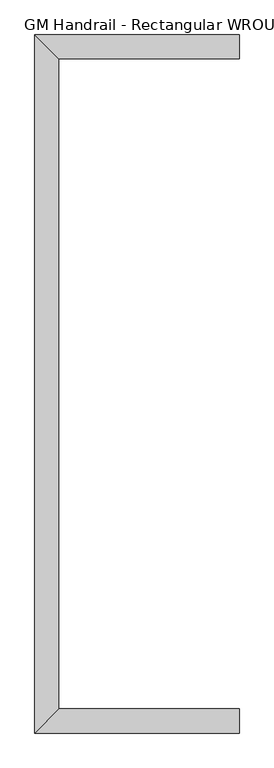
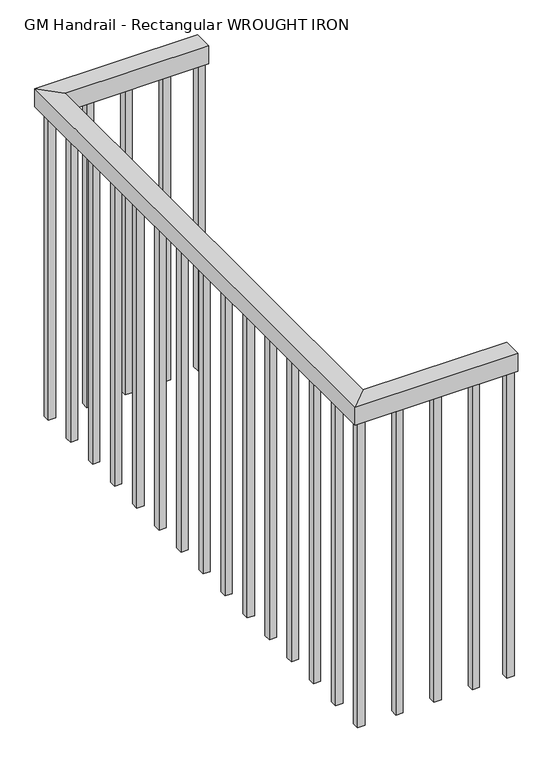
"""IFC4 building model written with IfcOpenShell, lengths in millimetres: railing geometry, GM Handrail - Rectangular WROUGHT IRON."""

from ifc_helpers import new_model, si_unit, frame, origin, place, context, project, spatial, polyline, outline, extrude, faceted_brep, source, transform, mapped, element, save


def gm_handrail_rectangular_wrought_iron_63d7bb6a(model_context):
    return source(origin(), model_context, "Body", "SolidModel", [
        faceted_brep([(-8651.9178132, -2223.0968627, 3937.0), (-8651.9178132, -2273.8968627, 3937.0), (-8651.9178132, -2273.8968627, 3886.2), (-8651.9178132, -2223.0968627, 3886.2), (-9083.7178132, -2223.0968627, 3937.0), (-9032.9178132, -2273.8968627, 3937.0), (-9032.9178132, -2273.8968627, 3886.2), (-9083.7178132, -2223.0968627, 3886.2), (-9083.7178132, -3696.2968627, 3937.0), (-9032.9178132, -3645.4968627, 3937.0), (-9032.9178132, -3645.4968627, 3886.2), (-9083.7178132, -3696.2968627, 3886.2), (-8651.9178132, -3696.2968627, 3937.0), (-8651.9178132, -3696.2968627, 3886.2), (-8651.9178132, -3645.4968627, 3886.2), (-8651.9178132, -3645.4968627, 3937.0)], [[[0, 1, 2, 3]], [[1, 0, 4, 5]], [[2, 1, 5, 6]], [[3, 2, 6, 7]], [[0, 3, 7, 4]], [[5, 4, 8, 9]], [[6, 5, 9, 10]], [[7, 6, 10, 11]], [[4, 7, 11, 8]], [[12, 13, 14, 15]], [[9, 8, 12, 15]], [[10, 9, 15, 14]], [[11, 10, 14, 13]], [[8, 11, 13, 12]]]),
        extrude(outline(polyline([(-8763.0428132, -3680.4218627), (-8763.0428132, -3661.3718627), (-8743.9928132, -3661.3718627), (-8743.9928132, -3680.4218627), (-8763.0428132, -3680.4218627)])), frame((0.0, 0.0, 3022.6), z_axis=(0.0, 0.0, 1.0), x_axis=(1.0, 0.0, 0.0)), (0.0, 0.0, 1.0), 863.6),
        extrude(outline(polyline([(-8864.6428132, -3680.4218627), (-8864.6428132, -3661.3718627), (-8845.5928132, -3661.3718627), (-8845.5928132, -3680.4218627), (-8864.6428132, -3680.4218627)])), frame((0.0, 0.0, 3022.6), z_axis=(0.0, 0.0, 1.0), x_axis=(1.0, 0.0, 0.0)), (0.0, 0.0, 1.0), 863.6),
        extrude(outline(polyline([(-8966.2428132, -3680.4218627), (-8966.2428132, -3661.3718627), (-8947.1928132, -3661.3718627), (-8947.1928132, -3680.4218627), (-8966.2428132, -3680.4218627)])), frame((0.0, 0.0, 3022.6), z_axis=(0.0, 0.0, 1.0), x_axis=(1.0, 0.0, 0.0)), (0.0, 0.0, 1.0), 863.6),
        extrude(outline(polyline([(-9067.8428132, -3559.7718627), (-9048.7928132, -3559.7718627), (-9048.7928132, -3578.8218627), (-9067.8428132, -3578.8218627), (-9067.8428132, -3559.7718627)])), frame((0.0, 0.0, 3022.6), z_axis=(0.0, 0.0, 1.0), x_axis=(1.0, 0.0, 0.0)), (0.0, 0.0, 1.0), 863.6),
        extrude(outline(polyline([(-9067.8428132, -3458.1718627), (-9048.7928132, -3458.1718627), (-9048.7928132, -3477.2218627), (-9067.8428132, -3477.2218627), (-9067.8428132, -3458.1718627)])), frame((0.0, 0.0, 3022.6), z_axis=(0.0, 0.0, 1.0), x_axis=(1.0, 0.0, 0.0)), (0.0, 0.0, 1.0), 863.6),
        extrude(outline(polyline([(-9067.8428132, -3356.5718627), (-9048.7928132, -3356.5718627), (-9048.7928132, -3375.6218627), (-9067.8428132, -3375.6218627), (-9067.8428132, -3356.5718627)])), frame((0.0, 0.0, 3022.6), z_axis=(0.0, 0.0, 1.0), x_axis=(1.0, 0.0, 0.0)), (0.0, 0.0, 1.0), 863.6),
        extrude(outline(polyline([(-9067.8428132, -3254.9718627), (-9048.7928132, -3254.9718627), (-9048.7928132, -3274.0218627), (-9067.8428132, -3274.0218627), (-9067.8428132, -3254.9718627)])), frame((0.0, 0.0, 3022.6), z_axis=(0.0, 0.0, 1.0), x_axis=(1.0, 0.0, 0.0)), (0.0, 0.0, 1.0), 863.6),
        extrude(outline(polyline([(-9067.8428132, -3153.3718627), (-9048.7928132, -3153.3718627), (-9048.7928132, -3172.4218627), (-9067.8428132, -3172.4218627), (-9067.8428132, -3153.3718627)])), frame((0.0, 0.0, 3022.6), z_axis=(0.0, 0.0, 1.0), x_axis=(1.0, 0.0, 0.0)), (0.0, 0.0, 1.0), 863.6),
        extrude(outline(polyline([(-9067.8428132, -3051.7718627), (-9048.7928132, -3051.7718627), (-9048.7928132, -3070.8218627), (-9067.8428132, -3070.8218627), (-9067.8428132, -3051.7718627)])), frame((0.0, 0.0, 3022.6), z_axis=(0.0, 0.0, 1.0), x_axis=(1.0, 0.0, 0.0)), (0.0, 0.0, 1.0), 863.6),
        extrude(outline(polyline([(-9067.8428132, -2950.1718627), (-9048.7928132, -2950.1718627), (-9048.7928132, -2969.2218627), (-9067.8428132, -2969.2218627), (-9067.8428132, -2950.1718627)])), frame((0.0, 0.0, 3022.6), z_axis=(0.0, 0.0, 1.0), x_axis=(1.0, 0.0, 0.0)), (0.0, 0.0, 1.0), 863.6),
        extrude(outline(polyline([(-9067.8428132, -2848.5718627), (-9048.7928132, -2848.5718627), (-9048.7928132, -2867.6218627), (-9067.8428132, -2867.6218627), (-9067.8428132, -2848.5718627)])), frame((0.0, 0.0, 3022.6), z_axis=(0.0, 0.0, 1.0), x_axis=(1.0, 0.0, 0.0)), (0.0, 0.0, 1.0), 863.6),
        extrude(outline(polyline([(-9067.8428132, -2746.9718627), (-9048.7928132, -2746.9718627), (-9048.7928132, -2766.0218627), (-9067.8428132, -2766.0218627), (-9067.8428132, -2746.9718627)])), frame((0.0, 0.0, 3022.6), z_axis=(0.0, 0.0, 1.0), x_axis=(1.0, 0.0, 0.0)), (0.0, 0.0, 1.0), 863.6),
        extrude(outline(polyline([(-9067.8428132, -2645.3718627), (-9048.7928132, -2645.3718627), (-9048.7928132, -2664.4218627), (-9067.8428132, -2664.4218627), (-9067.8428132, -2645.3718627)])), frame((0.0, 0.0, 3022.6), z_axis=(0.0, 0.0, 1.0), x_axis=(1.0, 0.0, 0.0)), (0.0, 0.0, 1.0), 863.6),
        extrude(outline(polyline([(-9067.8428132, -2543.7718627), (-9048.7928132, -2543.7718627), (-9048.7928132, -2562.8218627), (-9067.8428132, -2562.8218627), (-9067.8428132, -2543.7718627)])), frame((0.0, 0.0, 3022.6), z_axis=(0.0, 0.0, 1.0), x_axis=(1.0, 0.0, 0.0)), (0.0, 0.0, 1.0), 863.6),
        extrude(outline(polyline([(-9067.8428132, -2442.1718627), (-9048.7928132, -2442.1718627), (-9048.7928132, -2461.2218627), (-9067.8428132, -2461.2218627), (-9067.8428132, -2442.1718627)])), frame((0.0, 0.0, 3022.6), z_axis=(0.0, 0.0, 1.0), x_axis=(1.0, 0.0, 0.0)), (0.0, 0.0, 1.0), 863.6),
        extrude(outline(polyline([(-9067.8428132, -2340.5718627), (-9048.7928132, -2340.5718627), (-9048.7928132, -2359.6218627), (-9067.8428132, -2359.6218627), (-9067.8428132, -2340.5718627)])), frame((0.0, 0.0, 3022.6), z_axis=(0.0, 0.0, 1.0), x_axis=(1.0, 0.0, 0.0)), (0.0, 0.0, 1.0), 863.6),
        extrude(outline(polyline([(-8947.1928132, -2238.9718627), (-8947.1928132, -2258.0218627), (-8966.2428132, -2258.0218627), (-8966.2428132, -2238.9718627), (-8947.1928132, -2238.9718627)])), frame((0.0, 0.0, 3022.6), z_axis=(0.0, 0.0, 1.0), x_axis=(1.0, 0.0, 0.0)), (0.0, 0.0, 1.0), 863.6),
        extrude(outline(polyline([(-8845.5928132, -2238.9718627), (-8845.5928132, -2258.0218627), (-8864.6428132, -2258.0218627), (-8864.6428132, -2238.9718627), (-8845.5928132, -2238.9718627)])), frame((0.0, 0.0, 3022.6), z_axis=(0.0, 0.0, 1.0), x_axis=(1.0, 0.0, 0.0)), (0.0, 0.0, 1.0), 863.6),
        extrude(outline(polyline([(-8743.9928132, -2238.9718627), (-8743.9928132, -2258.0218627), (-8763.0428132, -2258.0218627), (-8763.0428132, -2238.9718627), (-8743.9928132, -2238.9718627)])), frame((0.0, 0.0, 3022.6), z_axis=(0.0, 0.0, 1.0), x_axis=(1.0, 0.0, 0.0)), (0.0, 0.0, 1.0), 863.6),
        extrude(outline(polyline([(-9067.8428132, -3661.3718627), (-9048.7928132, -3661.3718627), (-9048.7928132, -3680.4218627), (-9067.8428132, -3680.4218627), (-9067.8428132, -3661.3718627)])), frame((0.0, 0.0, 3022.6), z_axis=(0.0, 0.0, 1.0), x_axis=(1.0, 0.0, 0.0)), (0.0, 0.0, 1.0), 863.6),
        extrude(outline(polyline([(-9048.7928132, -2238.9718627), (-9048.7928132, -2258.0218627), (-9067.8428132, -2258.0218627), (-9067.8428132, -2238.9718627), (-9048.7928132, -2238.9718627)])), frame((0.0, 0.0, 3022.6), z_axis=(0.0, 0.0, 1.0), x_axis=(1.0, 0.0, 0.0)), (0.0, 0.0, 1.0), 863.6),
        extrude(outline(polyline([(-8670.9678132, -3680.4218627), (-8670.9678132, -3661.3718627), (-8651.9178132, -3661.3718627), (-8651.9178132, -3680.4218627), (-8670.9678132, -3680.4218627)])), frame((0.0, 0.0, 3022.6), z_axis=(0.0, 0.0, 1.0), x_axis=(1.0, 0.0, 0.0)), (0.0, 0.0, 1.0), 863.6),
        extrude(outline(polyline([(-8651.9178132, -2238.9718627), (-8651.9178132, -2258.0218627), (-8670.9678132, -2258.0218627), (-8670.9678132, -2238.9718627), (-8651.9178132, -2238.9718627)])), frame((0.0, 0.0, 3022.6), z_axis=(0.0, 0.0, 1.0), x_axis=(1.0, 0.0, 0.0)), (0.0, 0.0, 1.0), 863.6),
    ])


if __name__ == "__main__":
    model = new_model("IFC4")
    model_context = context("Model", 3, world=origin())
    ifc_project = project(units=[si_unit("LENGTHUNIT", "METRE", prefix="MILLI")], contexts=[model_context])
    site = spatial("IfcSite", under=ifc_project)
    building = spatial("IfcBuilding", under=site)
    placement = place(None, origin())
    gm_handrail_rectangular_wrought_iron_shape = gm_handrail_rectangular_wrought_iron_63d7bb6a(model_context)
    element("IfcRailing", 1, ObjectType="GM Handrail - Rectangular WROUGHT IRON", at=placement, inside=building, context=model_context, shape_type="MappedRepresentation", body=[
        mapped(gm_handrail_rectangular_wrought_iron_shape, transform((0.0, 0.0, 0.0), x_axis=(1.0, 0.0, 0.0), y_axis=(0.0, 1.0, 0.0), z_axis=(0.0, 0.0, 1.0))),
    ])
    save(model, "model.ifc")
